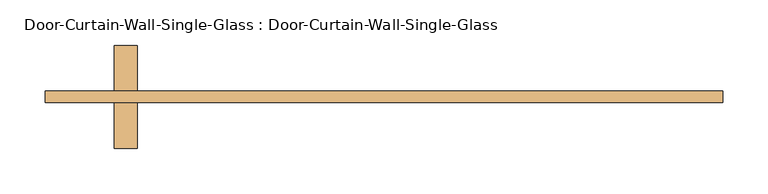
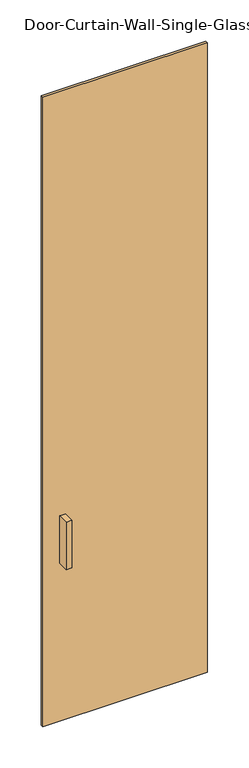
"""IFC4 building model written with IfcOpenShell, lengths in millimetres: door geometry, Door-Curtain-Wall-Single-Glass : Door-Curtain-Wall-Single-Glass."""

from ifc_helpers import new_model, si_unit, frame, origin, origin_with_axes, place, context, project, spatial, polyline, outline, extrude, source, transform, mapped, element, save


def door_curtain_wall_single_glass_door_curtain_wall_single_733c80d1(model_context):
    return source(origin(), model_context, "Body", "SweptSolid", [
        extrude(outline(polyline([(374.6500002, -50.8), (-374.6500002, -50.8), (-374.6500002, -38.1), (374.6500002, -38.1), (374.6500002, -50.8)])), origin_with_axes(), (0.0, 0.0, 1.0), 3035.3),
        extrude(outline(polyline([(-273.0500002, 12.7), (-273.0500002, -38.1), (-298.4500002, -38.1), (-298.4500002, 12.7), (-273.0500002, 12.7)])), frame((0.0, 0.0, 762.0), z_axis=(0.0, 0.0, 1.0), x_axis=(1.0, 0.0, 0.0)), (0.0, 0.0, 1.0), 228.6),
        extrude(outline(polyline([(-298.4500002, -101.6), (-298.4500002, -50.8), (-273.0500002, -50.8), (-273.0500002, -101.6), (-298.4500002, -101.6)])), frame((0.0, 0.0, 762.0), z_axis=(0.0, 0.0, 1.0), x_axis=(1.0, 0.0, 0.0)), (0.0, 0.0, 1.0), 228.6),
    ])


if __name__ == "__main__":
    model = new_model("IFC4")
    model_context = context("Model", 3, world=origin())
    ifc_project = project(units=[si_unit("LENGTHUNIT", "METRE", prefix="MILLI")], contexts=[model_context])
    site = spatial("IfcSite", under=ifc_project)
    building = spatial("IfcBuilding", under=site)
    placement = place(None, origin())
    door_curtain_wall_single_glass_door_curtain_wall_single_shape = door_curtain_wall_single_glass_door_curtain_wall_single_733c80d1(model_context)
    element("IfcDoor", 1, ObjectType="Door-Curtain-Wall-Single-Glass : Door-Curtain-Wall-Single-Glass", at=placement, inside=building, context=model_context, shape_type="MappedRepresentation", body=[
        mapped(door_curtain_wall_single_glass_door_curtain_wall_single_shape, transform((0.0, 0.0, 0.0), x_axis=(1.0, 0.0, 0.0), y_axis=(0.0, 1.0, 0.0), z_axis=(0.0, 0.0, 1.0))),
    ])
    save(model, "model.ifc")
